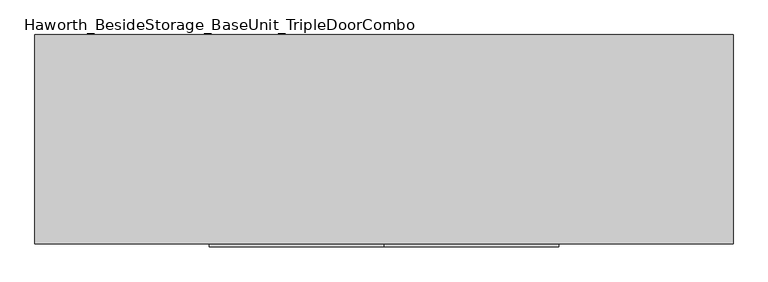
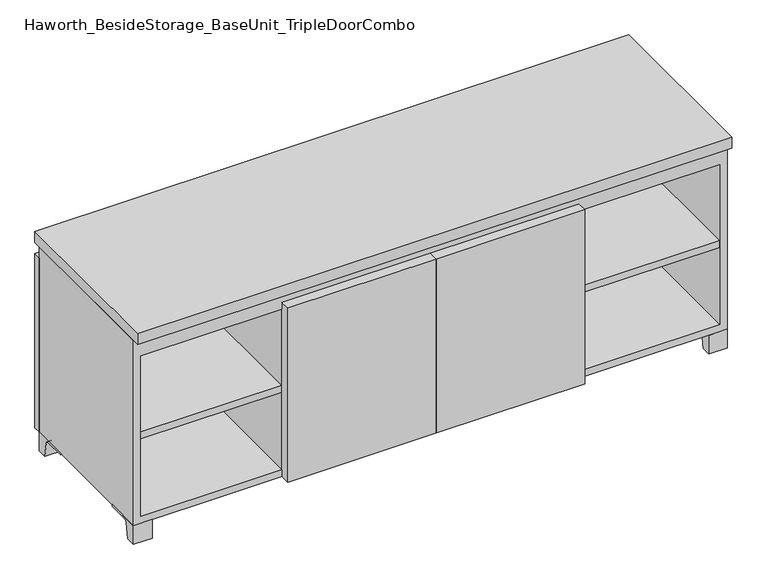
"""IFC4 building model written with IfcOpenShell, lengths in millimetres: furniture geometry, Haworth_BesideStorage_BaseUnit_TripleDoorCombo."""

from ifc_helpers import new_model, si_unit, point, frame, frame_2d, origin, place, context, project, spatial, polyline, circle_curve, trimmed, segment, composite_curve, outline, extrude, source, transform, mapped, element, save


def haworth_besidestorage_baseunit_tripledoorcombo_b3751c46(model_context):
    return source(origin(), model_context, "Body", "SweptSolid", [
        extrude(outline(polyline([(381.0069453, 241.3), (742.9569453, 241.3), (742.9569453, -142.875), (381.0069453, -142.875), (381.0069453, 241.3)])), frame((0.0, 0.0, 277.8125), z_axis=(0.0, 0.0, 1.0), x_axis=(1.0, 0.0, 0.0)), (0.0, 0.0, 1.0), 19.05),
        extrude(outline(polyline([(-380.9791641, 241.3), (-380.9791641, -142.875), (-742.9291641, -142.875), (-742.9291641, 241.3), (-380.9791641, 241.3)])), frame((0.0, 0.0, 277.8125), z_axis=(0.0, 0.0, 1.0), x_axis=(1.0, 0.0, 0.0)), (0.0, 0.0, 1.0), 19.05),
        extrude(outline(polyline([(361.9638906, 241.3), (361.9638906, -142.875), (-361.9361094, -142.875), (-361.9361094, 241.3), (361.9638906, 241.3)])), frame((0.0, 0.0, 277.8125), z_axis=(0.0, 0.0, 1.0), x_axis=(1.0, 0.0, 0.0)), (0.0, 0.0, 1.0), 19.05),
        extrude(outline(composite_curve([segment(polyline([(47.6249864, 0.0), (22.225, 0.0), (22.225, 50.8), (117.475, 50.8), (117.475, 46.0213321), (60.6744655, 46.0213321)]), True, "CONTINUOUS"), segment(trimmed(circle_curve(frame_2d((60.6744655, 39.6713321)), 6.35), [point((60.6744655, 46.0213321))], [point((54.4108641, 40.7152656))], True, "CARTESIAN"), True, "CONTINUOUS"), segment(polyline([(54.4108641, 40.7152656), (47.6249864, 0.0)]), True, "CONTINUOUS")], self_intersect=False)), frame((-23.7986094, 0.0, 0.0), z_axis=(1.0, 0.0, 0.0), x_axis=(0.0, 1.0, 0.0)), (0.0, 0.0, 1.0), 47.625),
        extrude(outline(polyline([(762.0138906, 292.1), (762.0138906, -165.1), (-761.9861094, -165.1), (-761.9861094, 292.1), (762.0138906, 292.1)])), frame((0.0, 0.0, 554.0375), z_axis=(0.0, 0.0, 1.0), x_axis=(1.0, 0.0, 0.0)), (0.0, 0.0, 1.0), 30.1625),
        extrude(outline(composite_curve([segment(polyline([(-120.6500136, 0.0), (-146.05, 0.0), (-146.05, 50.8), (-50.8, 50.8), (-50.8, 46.0213321), (-107.6005345, 46.0213321)]), True, "CONTINUOUS"), segment(trimmed(circle_curve(frame_2d((-107.6005345, 39.6713321)), 6.35), [point((-107.6005345, 46.0213321))], [point((-113.8641359, 40.7152656))], True, "CARTESIAN"), True, "CONTINUOUS"), segment(polyline([(-113.8641359, 40.7152656), (-120.6500136, 0.0)]), True, "CONTINUOUS")], self_intersect=False)), frame((714.3888906, 0.0, 0.0), z_axis=(1.0, 0.0, 0.0), x_axis=(0.0, 1.0, 0.0)), (0.0, 0.0, 1.0), 47.625),
        extrude(outline(composite_curve([segment(polyline([(247.6500136, 0.0), (240.8641359, 40.7152656)]), True, "CONTINUOUS"), segment(trimmed(circle_curve(frame_2d((234.6005345, 39.6713321)), 6.35), [point((240.8641359, 40.7152656))], [point((234.6005345, 46.0213321))], True, "CARTESIAN"), True, "CONTINUOUS"), segment(polyline([(234.6005345, 46.0213321), (177.8, 46.0213321), (177.8, 50.8), (273.05, 50.8), (273.05, 0.0), (247.6500136, 0.0)]), True, "CONTINUOUS")], self_intersect=False)), frame((714.3888906, 0.0, 0.0), z_axis=(1.0, 0.0, 0.0), x_axis=(0.0, 1.0, 0.0)), (0.0, 0.0, 1.0), 47.625),
        extrude(outline(composite_curve([segment(polyline([(-120.6500136, 0.0), (-146.05, 0.0), (-146.05, 50.8), (-50.8, 50.8), (-50.8, 46.0213321), (-107.6005345, 46.0213321)]), True, "CONTINUOUS"), segment(trimmed(circle_curve(frame_2d((-107.6005345, 39.6713321)), 6.35), [point((-107.6005345, 46.0213321))], [point((-113.8641359, 40.7152656))], True, "CARTESIAN"), True, "CONTINUOUS"), segment(polyline([(-113.8641359, 40.7152656), (-120.6500136, 0.0)]), True, "CONTINUOUS")], self_intersect=False)), frame((-761.9861094, 0.0, 0.0), z_axis=(1.0, 0.0, 0.0), x_axis=(0.0, 1.0, 0.0)), (0.0, 0.0, 1.0), 47.625),
        extrude(outline(composite_curve([segment(polyline([(247.6500136, 0.0), (240.8641359, 40.7152656)]), True, "CONTINUOUS"), segment(trimmed(circle_curve(frame_2d((234.6005345, 39.6713321)), 6.35), [point((240.8641359, 40.7152656))], [point((234.6005345, 46.0213321))], True, "CARTESIAN"), True, "CONTINUOUS"), segment(polyline([(234.6005345, 46.0213321), (177.8, 46.0213321), (177.8, 50.8), (273.05, 50.8), (273.05, 0.0), (247.6500136, 0.0)]), True, "CONTINUOUS")], self_intersect=False)), frame((-761.9861094, 0.0, 0.0), z_axis=(1.0, 0.0, 0.0), x_axis=(0.0, 1.0, 0.0)), (0.0, 0.0, 1.0), 47.625),
        extrude(outline(polyline([(0.0138906, -171.45), (0.0138906, -146.05), (381.0138906, -146.05), (381.0138906, -171.45), (0.0138906, -171.45)])), frame((0.0, 0.0, 50.8), z_axis=(0.0, 0.0, 1.0), x_axis=(1.0, 0.0, 0.0)), (0.0, 0.0, 1.0), 473.075),
        extrude(outline(polyline([(0.0138906, -171.45), (-380.9861094, -171.45), (-380.9861094, -146.05), (0.0138906, -146.05), (0.0138906, -171.45)])), frame((0.0, 0.0, 50.8), z_axis=(0.0, 0.0, 1.0), x_axis=(1.0, 0.0, 0.0)), (0.0, 0.0, 1.0), 473.075),
        extrude(outline(polyline([(-736.5791641, -120.65), (-736.5791641, 247.65), (-720.7041641, 247.65), (-720.7041641, 73.025), (-7.9236094, 73.025), (-7.9236094, 247.65), (7.9513906, 247.65), (7.9513906, 73.025), (720.7111094, 73.025), (720.7111094, 247.65), (736.5861094, 247.65), (736.5861094, -120.65), (720.7111094, -120.65), (720.7111094, 53.975), (7.9513906, 53.975), (7.9513906, -120.65), (-7.9236094, -120.65), (-7.9236094, 53.975), (-720.7041641, 53.975), (-720.7041641, -120.65), (-736.5791641, -120.65)])), frame((0.0, 0.0, 523.875), z_axis=(0.0, 0.0, 1.0), x_axis=(1.0, 0.0, 0.0)), (0.0, 0.0, 1.0), 30.1625),
        extrude(outline(polyline([(381.0138906, 241.3), (381.0138906, -142.875), (361.9638906, -142.875), (361.9638906, 241.3), (381.0138906, 241.3)])), frame((0.0, 0.0, 69.85), z_axis=(0.0, 0.0, 1.0), x_axis=(1.0, 0.0, 0.0)), (0.0, 0.0, 1.0), 434.975),
        extrude(outline(polyline([(-361.9361094, 241.3), (-361.9361094, -142.875), (-380.9861094, -142.875), (-380.9861094, 241.3), (-361.9361094, 241.3)])), frame((0.0, 0.0, 69.85), z_axis=(0.0, 0.0, 1.0), x_axis=(1.0, 0.0, 0.0)), (0.0, 0.0, 1.0), 434.975),
        extrude(outline(polyline([(762.0138906, 273.05), (-761.9861094, 273.05), (-761.9861094, 292.1), (762.0138906, 292.1), (762.0138906, 273.05)])), frame((0.0, 0.0, 50.8), z_axis=(0.0, 0.0, 1.0), x_axis=(1.0, 0.0, 0.0)), (0.0, 0.0, 1.0), 473.075),
        extrude(outline(polyline([(50.8, -761.9861094), (50.8, 762.0138906), (554.0375, 762.0138906), (554.0375, -761.9861094), (50.8, -761.9861094)]), holes=[polyline([(69.85, -742.9361094), (504.825, -742.9361094), (504.825, 742.9569453), (69.85, 742.9569453), (69.85, -742.9361094)])]), frame((0.0, -146.05, 0.0), z_axis=(0.0, 1.0, 0.0), x_axis=(0.0, 0.0, 1.0)), (0.0, 0.0, 1.0), 419.1),
        extrude(outline(polyline([(-742.9291641, 241.3), (-742.9291641, 247.65), (742.9569453, 247.65), (742.9569453, 241.3), (-742.9291641, 241.3)])), frame((0.0, 0.0, 69.85), z_axis=(0.0, 0.0, 1.0), x_axis=(1.0, 0.0, 0.0)), (0.0, 0.0, 1.0), 434.975),
    ])


if __name__ == "__main__":
    model = new_model("IFC4")
    model_context = context("Model", 3, world=origin())
    ifc_project = project(units=[si_unit("LENGTHUNIT", "METRE", prefix="MILLI")], contexts=[model_context])
    site = spatial("IfcSite", under=ifc_project)
    building = spatial("IfcBuilding", under=site)
    placement = place(None, origin())
    haworth_besidestorage_baseunit_tripledoorcombo_shape = haworth_besidestorage_baseunit_tripledoorcombo_b3751c46(model_context)
    element("IfcFurniture", 1, ObjectType="Haworth_BesideStorage_BaseUnit_TripleDoorCombo", at=placement, inside=building, context=model_context, shape_type="MappedRepresentation", body=[
        mapped(haworth_besidestorage_baseunit_tripledoorcombo_shape, transform((0.0, 0.0, 0.0), x_axis=(1.0, 0.0, 0.0), y_axis=(0.0, 1.0, 0.0), z_axis=(0.0, 0.0, 1.0))),
    ])
    save(model, "model.ifc")
